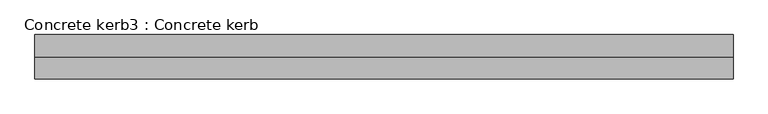
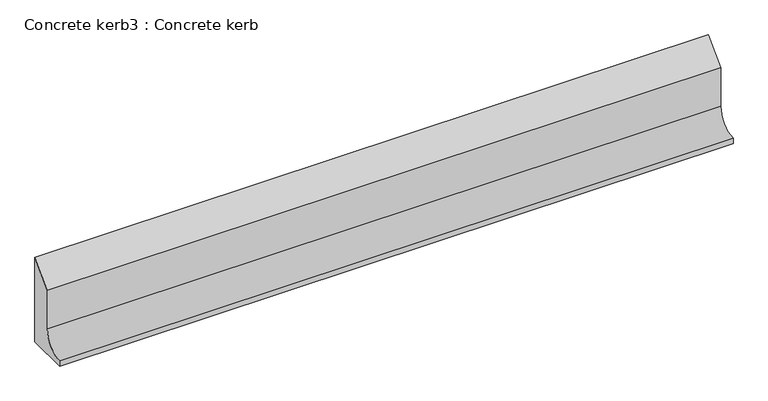
"""IFC4 building model written with IfcOpenShell, lengths in millimetres: proxy geometry, Concrete kerb3 : Concrete kerb."""

from ifc_helpers import new_model, si_unit, point, frame, frame_2d, origin, place, context, project, spatial, polyline, circle_curve, trimmed, segment, composite_curve, outline, extrude, source, transform, mapped, element, save


def concrete_kerb3_concrete_kerb_19447ae5(model_context):
    return source(origin(), model_context, "Body", "SweptSolid", [
        extrude(outline(composite_curve([segment(polyline([(-8917.3538557, 297.0), (-8917.3538557, -20.0482875), (-9069.3538557, -20.0482875), (-9069.3538557, 0.0)]), True, "CONTINUOUS"), segment(trimmed(circle_curve(frame_2d((-9069.3538557, 75.0)), 75.0), [point((-9069.3538557, 0.0))], [point((-8994.3538557, 75.0))], True, "CARTESIAN"), True, "CONTINUOUS"), segment(polyline([(-8994.3538557, 75.0), (-8994.3538557, 220.0), (-8917.3538557, 297.0)]), True, "CONTINUOUS")], self_intersect=False)), frame((-5295.3690716, 0.0, 0.0), z_axis=(1.0, 0.0, 0.0), x_axis=(0.0, 1.0, 0.0)), (0.0, 0.0, 1.0), 2400.0),
    ])


if __name__ == "__main__":
    model = new_model("IFC4")
    model_context = context("Model", 3, world=origin())
    ifc_project = project(units=[si_unit("LENGTHUNIT", "METRE", prefix="MILLI")], contexts=[model_context])
    site = spatial("IfcSite", under=ifc_project)
    building = spatial("IfcBuilding", under=site)
    placement = place(None, origin())
    concrete_kerb3_concrete_kerb_shape = concrete_kerb3_concrete_kerb_19447ae5(model_context)
    element("IfcBuildingElementProxy", 1, Name="Concrete kerb3 : Concrete kerb", ObjectType="Concrete kerb3 : Concrete kerb", at=placement, inside=building, context=model_context, shape_type="MappedRepresentation", body=[
        mapped(concrete_kerb3_concrete_kerb_shape, transform((0.0, 0.0, 0.0), x_axis=(1.0, 0.0, 0.0), y_axis=(0.0, 1.0, 0.0), z_axis=(0.0, 0.0, 1.0))),
    ])
    save(model, "model.ifc")
